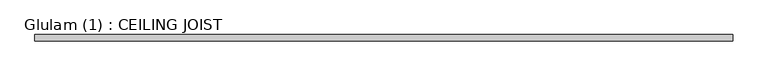
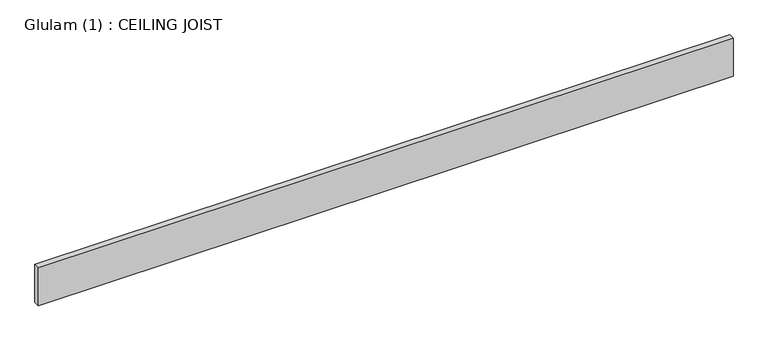
"""IFC4 building model written with IfcOpenShell, lengths in millimetres: beam geometry, Glulam (1) : CEILING JOIST."""

from ifc_helpers import new_model, si_unit, frame, origin, place, context, project, spatial, polyline, outline, extrude, source, transform, mapped, element, save


def glulam_1_ceiling_joist_74a07526(model_context):
    return source(origin(), model_context, "Body", "SweptSolid", [
        extrude(outline(polyline([(2522.5, 22.5), (2522.5, -22.5), (-2522.5, -22.5), (-2522.5, 22.5), (2522.5, 22.5)])), frame((0.0, 0.0, -145.0), z_axis=(0.0, 0.0, 1.0), x_axis=(1.0, 0.0, 0.0)), (0.0, 0.0, 1.0), 290.0),
    ])


if __name__ == "__main__":
    model = new_model("IFC4")
    model_context = context("Model", 3, world=origin())
    ifc_project = project(units=[si_unit("LENGTHUNIT", "METRE", prefix="MILLI")], contexts=[model_context])
    site = spatial("IfcSite", under=ifc_project)
    building = spatial("IfcBuilding", under=site)
    placement = place(None, origin())
    glulam_1_ceiling_joist_shape = glulam_1_ceiling_joist_74a07526(model_context)
    element("IfcBeam", 1, ObjectType="Glulam (1) : CEILING JOIST", at=placement, inside=building, context=model_context, shape_type="MappedRepresentation", body=[
        mapped(glulam_1_ceiling_joist_shape, transform((0.0, 0.0, 0.0), x_axis=(1.0, 0.0, 0.0), y_axis=(0.0, 1.0, 0.0), z_axis=(0.0, 0.0, 1.0))),
    ])
    save(model, "model.ifc")
